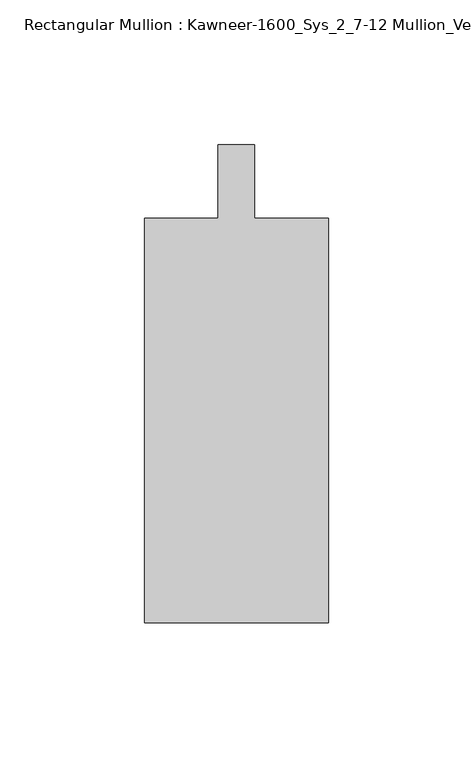
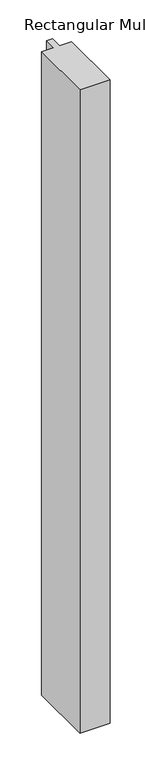
"""IFC4 building model written with IfcOpenShell, lengths in millimetres: member geometry, Rectangular Mullion : Kawneer-1600_Sys_2_7-12 Mullion_Vertical."""

from ifc_helpers import new_model, si_unit, frame, origin, place, context, project, spatial, polyline, outline, extrude, source, transform, mapped, element, save


def rectangular_mullion_kawneer_1600_sys_2_7_12_mullion_vertical_678e3001(model_context):
    return source(origin(), model_context, "Body", "SweptSolid", [
        extrude(outline(polyline([(36.0844027, -152.4), (-27.4155973, -152.4), (-27.4155973, -12.7), (-2.0155973, -12.7), (-2.0155973, 12.7), (10.6844027, 12.7), (10.6844027, -12.7), (36.0844027, -12.7), (36.0844027, -152.4)])), frame((0.0, 0.0, -1435.6244027), z_axis=(0.0, 0.0, 1.0), x_axis=(1.0, 0.0, 0.0)), (0.0, 0.0, 1.0), 1435.6244027),
    ])


if __name__ == "__main__":
    model = new_model("IFC4")
    model_context = context("Model", 3, world=origin())
    ifc_project = project(units=[si_unit("LENGTHUNIT", "METRE", prefix="MILLI")], contexts=[model_context])
    site = spatial("IfcSite", under=ifc_project)
    building = spatial("IfcBuilding", under=site)
    placement = place(None, origin())
    rectangular_mullion_kawneer_1600_sys_2_7_12_mullion_vertical_shape = rectangular_mullion_kawneer_1600_sys_2_7_12_mullion_vertical_678e3001(model_context)
    element("IfcMember", 1, ObjectType="Rectangular Mullion : Kawneer-1600_Sys_2_7-12 Mullion_Vertical", at=placement, inside=building, context=model_context, shape_type="MappedRepresentation", body=[
        mapped(rectangular_mullion_kawneer_1600_sys_2_7_12_mullion_vertical_shape, transform((0.0, 0.0, 0.0), x_axis=(1.0, 0.0, 0.0), y_axis=(0.0, 1.0, 0.0), z_axis=(0.0, 0.0, 1.0))),
    ])
    save(model, "model.ifc")
